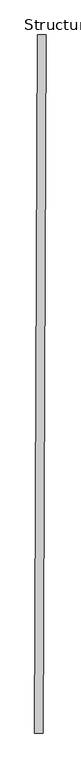
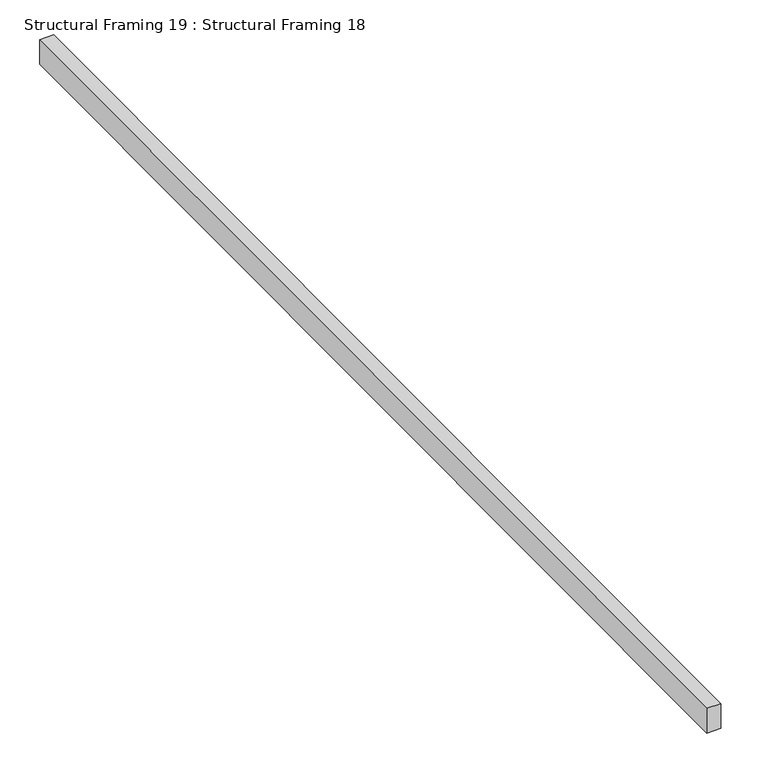
"""IFC4 building model written with IfcOpenShell, lengths in millimetres: beam geometry, Structural Framing 19 : Structural Framing 18."""

import ifcopenshell
import ifcopenshell.guid

model = None  # the IFC model being written
_history = None  # IfcOwnerHistory: only IFC2X3 demands one
_inside = {}  # id of a spatial element -> (the spatial element, [elements in it])
_under = {}  # id of a project, library or spatial element -> (it, [spatial elements below it])
_declared = {}  # id of a project -> (the project, [libraries it declares])
_typed = {}  # id of a type object -> (the type object, [elements of that type])
_made_of = {}  # id of a material, layer set ... -> (it, [elements and type objects made of it])


def new_model(schema):
    """Start an empty IFC model of exactly this schema.

    Asked for "IFC4X3", IfcOpenShell would pick the latest addendum, in which some entities
    have other attributes; the version numbers below select the first issue.
    IFC2X3 requires an IfcOwnerHistory on every rooted entity: one is made here for all.
    """
    global model, _history
    if schema == "IFC4X3":
        model = ifcopenshell.file(schema_version=(4, 3, 0, 0))
    else:
        model = ifcopenshell.file(schema=schema)
    _inside.clear()
    _under.clear()
    _declared.clear()
    _typed.clear()
    _made_of.clear()
    _history = None
    if model.schema == "IFC2X3":
        org = make("IfcOrganization", Name="unknown")
        user = make(
            "IfcPersonAndOrganization",
            ThePerson=make("IfcPerson", FamilyName="unknown"),
            TheOrganization=org,
        )
        app = make(
            "IfcApplication",
            ApplicationDeveloper=org,
            Version="unknown",
            ApplicationFullName="unknown",
            ApplicationIdentifier="unknown",
        )
        _history = make(
            "IfcOwnerHistory",
            OwningUser=user,
            OwningApplication=app,
            ChangeAction="ADDED",
            CreationDate=0,
        )
    return model


def make(cls, **values):
    """One entity of the class cls with the attributes given. An attribute that is None is left unset."""
    return model.create_entity(
        cls, **{name: value for name, value in values.items() if value is not None}
    )


def rooted(cls, **values):
    """An entity with a GlobalId (a new one), such as an element, a storey or a relation."""
    return make(cls, GlobalId=ifcopenshell.guid.new(), OwnerHistory=_history, **values)


def si_unit(unit_type, name, prefix=None):
    """IfcSIUnit, for example si_unit("LENGTHUNIT", "METRE", prefix="MILLI")."""
    return make("IfcSIUnit", UnitType=unit_type, Prefix=prefix, Name=name)


def assignment(units):
    """IfcUnitAssignment: the units of a project."""
    return None if units is None else make("IfcUnitAssignment", Units=units)


def point(xyz):
    """IfcCartesianPoint."""
    return None if xyz is None else make("IfcCartesianPoint", Coordinates=xyz)


def direction(xyz):
    """IfcDirection."""
    return None if xyz is None else make("IfcDirection", DirectionRatios=xyz)


def frame(location, z_axis=None, x_axis=None):
    """IfcAxis2Placement3D, a coordinate frame: its origin and axes. An axis left out is left unset."""
    return make(
        "IfcAxis2Placement3D",
        Location=point(location),
        Axis=direction(z_axis),
        RefDirection=direction(x_axis),
    )


def origin():
    """The frame at (0, 0, 0) with its axes left unset."""
    return frame((0.0, 0.0, 0.0))


def place(relative_to, where):
    """IfcLocalPlacement: puts the frame where relative to a parent placement (None: the world)."""
    return make(
        "IfcLocalPlacement", PlacementRelTo=relative_to, RelativePlacement=where
    )


def context(
    kind, dimensions, precision=None, world=None, true_north=None, identifier=None
):
    """IfcGeometricRepresentationContext, for example the 3D "Model" context."""
    return make(
        "IfcGeometricRepresentationContext",
        ContextIdentifier=identifier,
        ContextType=kind,
        CoordinateSpaceDimension=dimensions,
        Precision=precision,
        WorldCoordinateSystem=world,
        TrueNorth=true_north,
    )


def project(units=None, contexts=None):
    """IfcProject with its units and contexts."""
    return rooted(
        "IfcProject",
        Name="project",
        RepresentationContexts=contexts,
        UnitsInContext=assignment(units),
    )


def spatial(cls, under=None, at=None, **own):
    """A site, building, storey or space (cls), placed at a placement, below another one or the project."""
    s = rooted(cls, ObjectPlacement=at, **own)
    if under is not None:
        _under.setdefault(under.id(), (under, []))[1].append(s)
    return s


def polyline(points):
    """IfcPolyline through the points."""
    return make("IfcPolyline", Points=[point(p) for p in points])


def outline(outer, holes=None, kind="AREA"):
    """IfcArbitraryClosedProfileDef: a profile drawn as a closed curve; with holes, ...WithVoids."""
    if holes is None:
        return make("IfcArbitraryClosedProfileDef", ProfileType=kind, OuterCurve=outer)
    return make(
        "IfcArbitraryProfileDefWithVoids",
        ProfileType=kind,
        OuterCurve=outer,
        InnerCurves=holes,
    )


def extrude(swept, where, along, depth):
    """IfcExtrudedAreaSolid: the profile swept, set in the frame where, extruded along a direction by depth."""
    return make(
        "IfcExtrudedAreaSolid",
        SweptArea=swept,
        Position=where,
        ExtrudedDirection=direction(along),
        Depth=depth,
    )


def shape(context_of_items, identifier, shape_type, items):
    """IfcShapeRepresentation: the items that make up one representation, for example the "Body"."""
    return make(
        "IfcShapeRepresentation",
        ContextOfItems=context_of_items,
        RepresentationIdentifier=identifier,
        RepresentationType=shape_type,
        Items=items,
    )


def source(mapping_origin, context_of_items, identifier, shape_type, items):
    """IfcRepresentationMap: a shape defined once, which mapped items show again and again."""
    return make(
        "IfcRepresentationMap",
        MappingOrigin=mapping_origin,
        MappedRepresentation=shape(context_of_items, identifier, shape_type, items),
    )


def transform(
    local_origin,
    x_axis=None,
    y_axis=None,
    z_axis=None,
    scale=None,
    scale2=None,
    scale3=None,
    uniform=True,
):
    """IfcCartesianTransformationOperator3D, or its non-uniform kind. x_axis, y_axis, z_axis: its Axis1, 2, 3."""
    if uniform:
        return make(
            "IfcCartesianTransformationOperator3D",
            Axis1=direction(x_axis),
            Axis2=direction(y_axis),
            LocalOrigin=point(local_origin),
            Scale=scale,
            Axis3=direction(z_axis),
        )
    return make(
        "IfcCartesianTransformationOperator3DnonUniform",
        Axis1=direction(x_axis),
        Axis2=direction(y_axis),
        LocalOrigin=point(local_origin),
        Scale=scale,
        Axis3=direction(z_axis),
        Scale2=scale2,
        Scale3=scale3,
    )


def mapped(mapping_source, mapping_target):
    """IfcMappedItem: shows the shape of a source again, moved by a transform."""
    return make(
        "IfcMappedItem", MappingSource=mapping_source, MappingTarget=mapping_target
    )


def made_of(thing, what):
    """Note that an element or type object is made of a material, layer set ...; save() writes the relation."""
    if what is not None:
        _made_of.setdefault(what.id(), (what, []))[1].append(thing)
    return thing


def element(
    cls,
    number,
    at=None,
    inside=None,
    cuts=None,
    type_object=None,
    material=None,
    context=None,
    identifier="Body",
    shape_type=None,
    held_by="IfcProductDefinitionShape",
    body=None,
    shapes=None,
    **own,
):
    """One element of the class cls, such as IfcWall. Its Tag is "e" and its number.

    at: its placement. inside: the storey or other place that contains it. cuts: it is an
    opening in that element (IfcRelVoidsElement). A single representation is given by context,
    identifier, shape_type and body (its items); several are given by shapes. held_by: the class
    of the entity that holds the representations. save() writes the other relations.
    """
    e = rooted(cls, Tag="e%d" % number, ObjectPlacement=at, **own)
    if body is not None:
        shapes = [shape(context, identifier, shape_type, body)]
    if shapes is not None:
        e.Representation = make(held_by, Representations=shapes)
    if inside is not None:
        _inside.setdefault(inside.id(), (inside, []))[1].append(e)
    if cuts is not None:
        rooted(
            "IfcRelVoidsElement", RelatingBuildingElement=cuts, RelatedOpeningElement=e
        )
    if type_object is not None:
        _typed.setdefault(type_object.id(), (type_object, []))[1].append(e)
    return made_of(e, material)


def aggregate(whole, parts):
    """IfcRelAggregates: a whole, such as a stair, and the parts it consists of."""
    return rooted("IfcRelAggregates", RelatingObject=whole, RelatedObjects=parts)


def save(model, path):
    """Write the relations noted so far, then the file.

    IfcRelAggregates (storeys below a building ...), IfcRelContainedInSpatialStructure (elements
    in a storey), IfcRelDefinesByType, IfcRelAssociatesMaterial and IfcRelDeclares: one each for
    every whole, place, type object, material and project.
    """
    for whole, parts in _under.values():
        aggregate(whole, parts)
    for where, things in _inside.values():
        rooted(
            "IfcRelContainedInSpatialStructure",
            RelatedElements=things,
            RelatingStructure=where,
        )
    for kind, things in _typed.values():
        rooted("IfcRelDefinesByType", RelatedObjects=things, RelatingType=kind)
    for what, things in _made_of.values():
        rooted("IfcRelAssociatesMaterial", RelatedObjects=things, RelatingMaterial=what)
    for by, libraries in _declared.values():
        rooted("IfcRelDeclares", RelatingContext=by, RelatedDefinitions=libraries)
    model.write(path)


def structural_framing_19_structural_framing_18_223dcf25(model_context):
    return source(origin(), model_context, "Body", "SweptSolid", [
        extrude(outline(polyline([(-49217.7750343, 35723.912161), (-49235.2214841, 31445.2315429), (-49287.6163121, 31445.4451844), (-49270.1698624, 35724.1258025), (-49217.7750343, 35723.912161)])), frame((0.0, 0.0, 109983.5320372), z_axis=(0.0, 0.0, 1.0), x_axis=(1.0, 0.0, 0.0)), (0.0, 0.0, 1.0), 95.5416855),
    ])


if __name__ == "__main__":
    model = new_model("IFC4")
    model_context = context("Model", 3, world=origin())
    ifc_project = project(units=[si_unit("LENGTHUNIT", "METRE", prefix="MILLI")], contexts=[model_context])
    site = spatial("IfcSite", under=ifc_project)
    building = spatial("IfcBuilding", under=site)
    placement = place(None, origin())
    structural_framing_19_structural_framing_18_shape = structural_framing_19_structural_framing_18_223dcf25(model_context)
    element("IfcBeam", 1, ObjectType="Structural Framing 19 : Structural Framing 18", at=placement, inside=building, context=model_context, shape_type="MappedRepresentation", body=[
        mapped(structural_framing_19_structural_framing_18_shape, transform((0.0, 0.0, 0.0), x_axis=(1.0, 0.0, 0.0), y_axis=(0.0, 1.0, 0.0), z_axis=(0.0, 0.0, 1.0))),
    ])
    save(model, "model.ifc")
